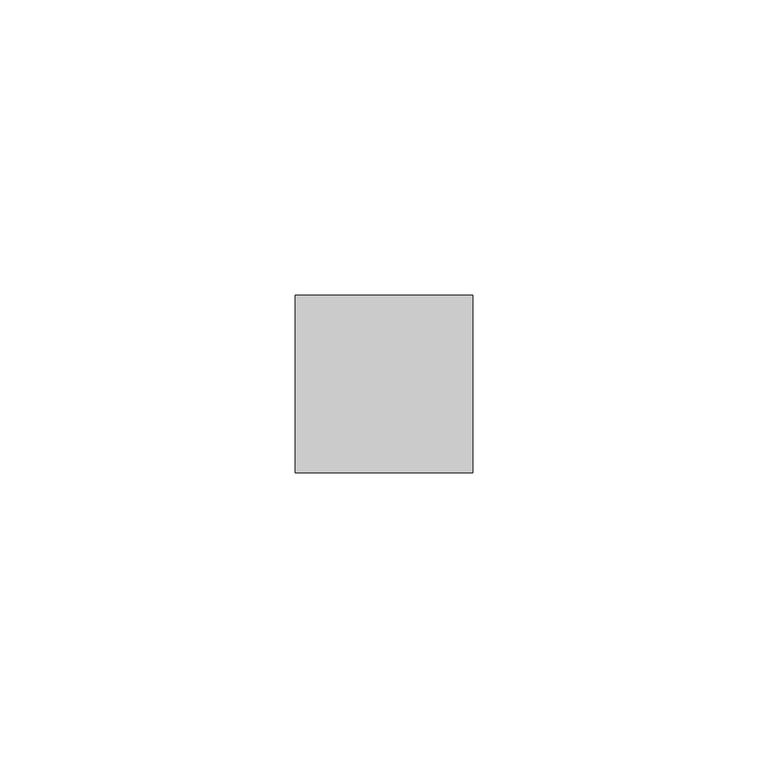
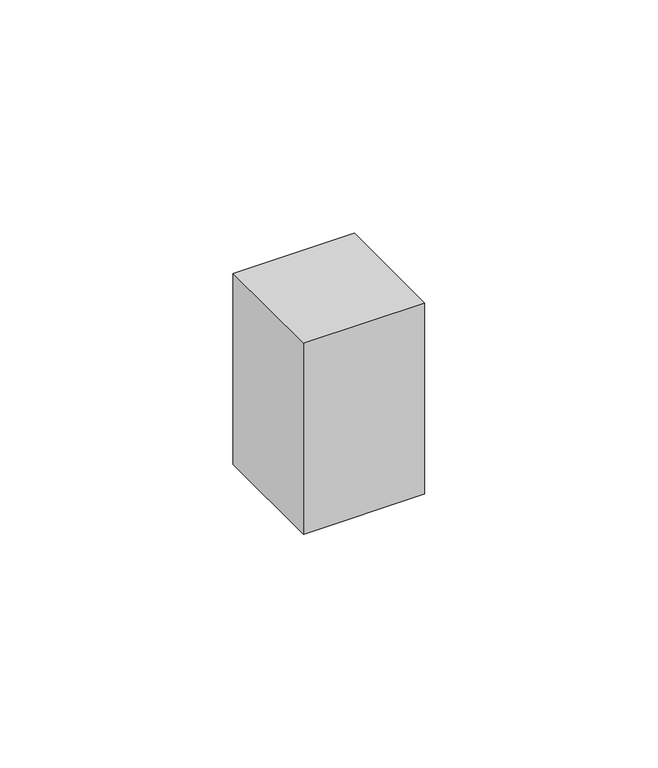
"""IFC4 building model written with IfcOpenShell, lengths in millimetres: proxy geometry."""

from ifc_helpers import new_model, si_unit, frame, origin, place, context, project, spatial, polyline, outline, extrude, source, transform, mapped, element, save


def generic_models_88bdd3da(model_context):
    return source(origin(), model_context, "Body", "SweptSolid", [
        extrude(outline(polyline([(30.0, 30.0), (30.0, 0.0), (0.0, 0.0), (0.0, 30.0), (30.0, 30.0)])), frame((0.0, 0.0, 80.0), z_axis=(0.0, 0.0, 1.0), x_axis=(1.0, 0.0, 0.0)), (0.0, 0.0, 1.0), 50.0),
    ])


if __name__ == "__main__":
    model = new_model("IFC4")
    model_context = context("Model", 3, world=origin())
    ifc_project = project(units=[si_unit("LENGTHUNIT", "METRE", prefix="MILLI")], contexts=[model_context])
    site = spatial("IfcSite", under=ifc_project)
    building = spatial("IfcBuilding", under=site)
    placement = place(None, origin())
    generic_models_shape = generic_models_88bdd3da(model_context)
    element("IfcBuildingElementProxy", 1, Name="Generic Models", at=placement, inside=building, context=model_context, shape_type="MappedRepresentation", body=[
        mapped(generic_models_shape, transform((0.0, 0.0, 0.0), x_axis=(1.0, 0.0, 0.0), y_axis=(0.0, 1.0, 0.0), z_axis=(0.0, 0.0, 1.0))),
    ])
    save(model, "model.ifc")
